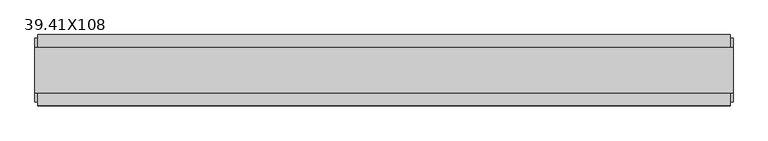
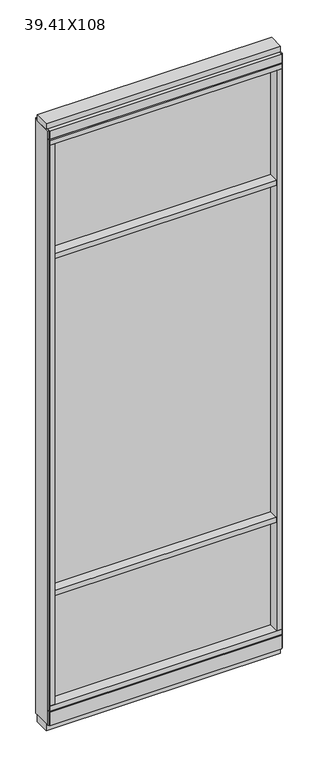
"""IFC4 building model written with IfcOpenShell, lengths in millimetres: furniture geometry, 39.41X108."""

from ifc_helpers import new_model, si_unit, frame, origin, origin_with_axes, place, context, project, spatial, polyline, outline, extrude, source, transform, mapped, element, save


def furniture_39_41x108_8ea6b13d(model_context):
    return source(origin(), model_context, "Body", "SweptSolid", [
        extrude(outline(polyline([(-534.3815229, 0.5622784), (414.3084771, 0.5622784), (414.3084771, -9.5977216), (-534.3815229, -9.5977216), (-534.3815229, 0.5622784)])), frame((0.0, 0.0, 2155.825), z_axis=(0.0, 0.0, 1.0), x_axis=(1.0, 0.0, 0.0)), (0.0, 0.0, 1.0), 498.475),
        extrude(outline(polyline([(-534.3815229, 0.5622784), (414.3084771, 0.5622784), (414.3084771, -9.5977216), (-534.3815229, -9.5977216), (-534.3815229, 0.5622784)])), frame((0.0, 0.0, 631.825), z_axis=(0.0, 0.0, 1.0), x_axis=(1.0, 0.0, 0.0)), (0.0, 0.0, 1.0), 1501.775),
        extrude(outline(polyline([(-534.3815229, -52.3332216), (-534.3815229, 43.2977784), (414.3084771, 43.2977784), (414.3084771, -52.3332216), (-534.3815229, -52.3332216)])), frame((0.0, 0.0, 2133.6), z_axis=(0.0, 0.0, 1.0), x_axis=(1.0, 0.0, 0.0)), (0.0, 0.0, 1.0), 22.225),
        extrude(outline(polyline([(-534.3815229, -52.3332216), (-534.3815229, 43.2977784), (414.3084771, 43.2977784), (414.3084771, -52.3332216), (-534.3815229, -52.3332216)])), frame((0.0, 0.0, 609.6), z_axis=(0.0, 0.0, 1.0), x_axis=(1.0, 0.0, 0.0)), (0.0, 0.0, 1.0), 22.225),
        extrude(outline(polyline([(414.3084771, -9.5977216), (-534.3815229, -9.5977216), (-534.3815229, 0.5622784), (414.3084771, 0.5622784), (414.3084771, -9.5977216)])), frame((0.0, 0.0, 120.523), z_axis=(0.0, 0.0, 1.0), x_axis=(1.0, 0.0, 0.0)), (0.0, 0.0, 1.0), 489.077),
        extrude(outline(polyline([(-55.3177216, 93.345), (-50.3647216, 93.345), (-50.3647216, 98.298), (41.3292784, 98.298), (41.3292784, 93.345), (46.2822784, 93.345), (46.2822784, 31.75), (-55.3177216, 31.75), (-55.3177216, 93.345)])), frame((-556.6065229, 0.0, 0.0), z_axis=(1.0, 0.0, 0.0), x_axis=(0.0, 1.0, 0.0)), (0.0, 0.0, 1.0), 993.14),
        extrude(outline(polyline([(-556.6065229, -55.3177216), (-556.6065229, 46.2822784), (436.5334771, 46.2822784), (436.5334771, -55.3177216), (-556.6065229, -55.3177216)])), frame((0.0, 0.0, 98.298), z_axis=(0.0, 0.0, 1.0), x_axis=(1.0, 0.0, 0.0)), (0.0, 0.0, 1.0), 22.225),
        extrude(outline(polyline([(440.4704771, 27.9942784), (440.4704771, -37.0297216), (-560.5435229, -37.0297216), (-560.5435229, 27.9942784), (440.4704771, 27.9942784)])), origin_with_axes(), (0.0, 0.0, 1.0), 31.75),
        extrude(outline(polyline([(-560.5435229, -37.0297216), (-560.5435229, 27.9942784), (440.4704771, 27.9942784), (440.4704771, -37.0297216), (-560.5435229, -37.0297216)])), frame((0.0, 0.0, 2717.8), z_axis=(0.0, 0.0, 1.0), x_axis=(1.0, 0.0, 0.0)), (0.0, 0.0, 1.0), 25.4),
        extrude(outline(polyline([(-55.3177216, 2681.478), (-55.3177216, 2717.8), (46.2822784, 2717.8), (46.2822784, 2681.478), (41.3292784, 2681.478), (41.3292784, 2676.525), (-50.3647216, 2676.525), (-50.3647216, 2681.478), (-55.3177216, 2681.478)])), frame((-556.6065229, 0.0, 0.0), z_axis=(1.0, 0.0, 0.0), x_axis=(0.0, 1.0, 0.0)), (0.0, 0.0, 1.0), 993.14),
        extrude(outline(polyline([(436.5334771, 46.2822784), (436.5334771, -55.3177216), (-556.6065229, -55.3177216), (-556.6065229, 46.2822784), (436.5334771, 46.2822784)])), frame((0.0, 0.0, 2654.3), z_axis=(0.0, 0.0, 1.0), x_axis=(1.0, 0.0, 0.0)), (0.0, 0.0, 1.0), 22.225),
        extrude(outline(polyline([(414.3084771, -55.3177216), (414.3084771, 46.2822784), (436.5334771, 46.2822784), (436.5334771, -55.3177216), (414.3084771, -55.3177216)])), frame((0.0, 0.0, 120.523), z_axis=(0.0, 0.0, 1.0), x_axis=(1.0, 0.0, 0.0)), (0.0, 0.0, 1.0), 2533.777),
        extrude(outline(polyline([(-534.3815229, -55.3177216), (-556.6065229, -55.3177216), (-556.6065229, 46.2822784), (-534.3815229, 46.2822784), (-534.3815229, -55.3177216)])), frame((0.0, 0.0, 120.523), z_axis=(0.0, 0.0, 1.0), x_axis=(1.0, 0.0, 0.0)), (0.0, 0.0, 1.0), 2533.777),
        extrude(outline(polyline([(440.4704771, -50.3647216), (436.5334771, -50.3647216), (436.5334771, 41.3292784), (440.4704771, 41.3292784), (440.4704771, -50.3647216)])), frame((0.0, 0.0, 31.75), z_axis=(0.0, 0.0, 1.0), x_axis=(1.0, 0.0, 0.0)), (0.0, 0.0, 1.0), 2686.05),
        extrude(outline(polyline([(-560.5435229, -50.3647216), (-560.5435229, 41.3292784), (-556.6065229, 41.3292784), (-556.6065229, -50.3647216), (-560.5435229, -50.3647216)])), frame((0.0, 0.0, 31.75), z_axis=(0.0, 0.0, 1.0), x_axis=(1.0, 0.0, 0.0)), (0.0, 0.0, 1.0), 2686.05),
    ])


if __name__ == "__main__":
    model = new_model("IFC4")
    model_context = context("Model", 3, world=origin())
    ifc_project = project(units=[si_unit("LENGTHUNIT", "METRE", prefix="MILLI")], contexts=[model_context])
    site = spatial("IfcSite", under=ifc_project)
    building = spatial("IfcBuilding", under=site)
    placement = place(None, origin())
    furniture_39_41x108_shape = furniture_39_41x108_8ea6b13d(model_context)
    element("IfcFurniture", 1, ObjectType="39.41X108", at=placement, inside=building, context=model_context, shape_type="MappedRepresentation", body=[
        mapped(furniture_39_41x108_shape, transform((0.0, 0.0, 0.0), x_axis=(1.0, 0.0, 0.0), y_axis=(0.0, 1.0, 0.0), z_axis=(0.0, 0.0, 1.0))),
    ])
    save(model, "model.ifc")
